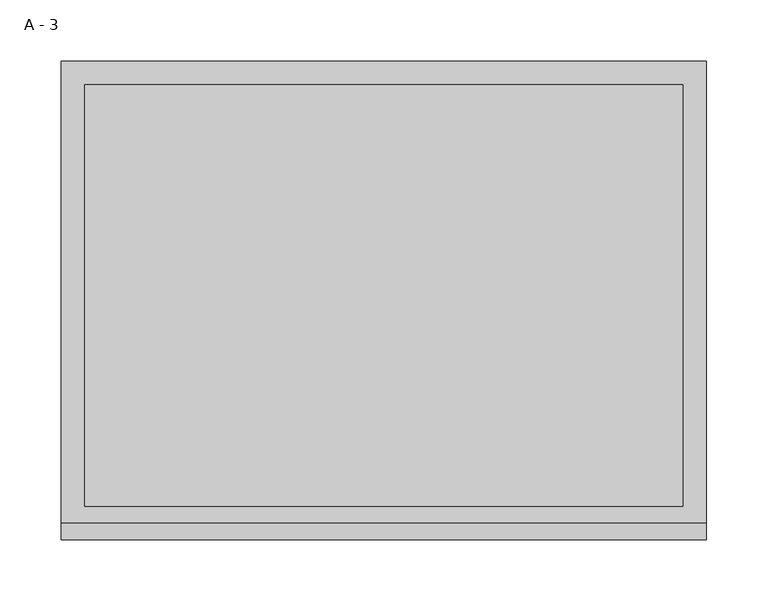
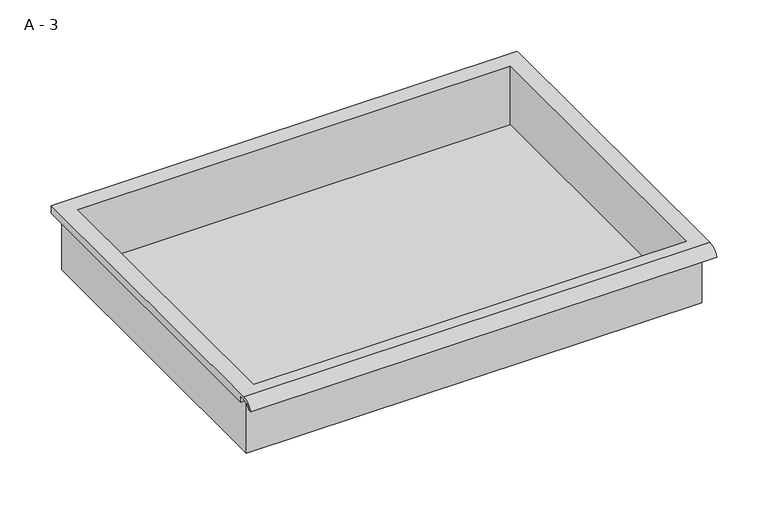
"""IFC4 building model written with IfcOpenShell, lengths in millimetres: furniture geometry, A - 3."""

import ifcopenshell
import ifcopenshell.guid

model = None  # the IFC model being written
_history = None  # IfcOwnerHistory: only IFC2X3 demands one
_inside = {}  # id of a spatial element -> (the spatial element, [elements in it])
_under = {}  # id of a project, library or spatial element -> (it, [spatial elements below it])
_declared = {}  # id of a project -> (the project, [libraries it declares])
_typed = {}  # id of a type object -> (the type object, [elements of that type])
_made_of = {}  # id of a material, layer set ... -> (it, [elements and type objects made of it])


def new_model(schema):
    """Start an empty IFC model of exactly this schema.

    Asked for "IFC4X3", IfcOpenShell would pick the latest addendum, in which some entities
    have other attributes; the version numbers below select the first issue.
    IFC2X3 requires an IfcOwnerHistory on every rooted entity: one is made here for all.
    """
    global model, _history
    if schema == "IFC4X3":
        model = ifcopenshell.file(schema_version=(4, 3, 0, 0))
    else:
        model = ifcopenshell.file(schema=schema)
    _inside.clear()
    _under.clear()
    _declared.clear()
    _typed.clear()
    _made_of.clear()
    _history = None
    if model.schema == "IFC2X3":
        org = make("IfcOrganization", Name="unknown")
        user = make(
            "IfcPersonAndOrganization",
            ThePerson=make("IfcPerson", FamilyName="unknown"),
            TheOrganization=org,
        )
        app = make(
            "IfcApplication",
            ApplicationDeveloper=org,
            Version="unknown",
            ApplicationFullName="unknown",
            ApplicationIdentifier="unknown",
        )
        _history = make(
            "IfcOwnerHistory",
            OwningUser=user,
            OwningApplication=app,
            ChangeAction="ADDED",
            CreationDate=0,
        )
    return model


def make(cls, **values):
    """One entity of the class cls with the attributes given. An attribute that is None is left unset."""
    return model.create_entity(
        cls, **{name: value for name, value in values.items() if value is not None}
    )


def rooted(cls, **values):
    """An entity with a GlobalId (a new one), such as an element, a storey or a relation."""
    return make(cls, GlobalId=ifcopenshell.guid.new(), OwnerHistory=_history, **values)


def si_unit(unit_type, name, prefix=None):
    """IfcSIUnit, for example si_unit("LENGTHUNIT", "METRE", prefix="MILLI")."""
    return make("IfcSIUnit", UnitType=unit_type, Prefix=prefix, Name=name)


def assignment(units):
    """IfcUnitAssignment: the units of a project."""
    return None if units is None else make("IfcUnitAssignment", Units=units)


def point(xyz):
    """IfcCartesianPoint."""
    return None if xyz is None else make("IfcCartesianPoint", Coordinates=xyz)


def direction(xyz):
    """IfcDirection."""
    return None if xyz is None else make("IfcDirection", DirectionRatios=xyz)


def frame(location, z_axis=None, x_axis=None):
    """IfcAxis2Placement3D, a coordinate frame: its origin and axes. An axis left out is left unset."""
    return make(
        "IfcAxis2Placement3D",
        Location=point(location),
        Axis=direction(z_axis),
        RefDirection=direction(x_axis),
    )


def origin():
    """The frame at (0, 0, 0) with its axes left unset."""
    return frame((0.0, 0.0, 0.0))


def place(relative_to, where):
    """IfcLocalPlacement: puts the frame where relative to a parent placement (None: the world)."""
    return make(
        "IfcLocalPlacement", PlacementRelTo=relative_to, RelativePlacement=where
    )


def context(
    kind, dimensions, precision=None, world=None, true_north=None, identifier=None
):
    """IfcGeometricRepresentationContext, for example the 3D "Model" context."""
    return make(
        "IfcGeometricRepresentationContext",
        ContextIdentifier=identifier,
        ContextType=kind,
        CoordinateSpaceDimension=dimensions,
        Precision=precision,
        WorldCoordinateSystem=world,
        TrueNorth=true_north,
    )


def project(units=None, contexts=None):
    """IfcProject with its units and contexts."""
    return rooted(
        "IfcProject",
        Name="project",
        RepresentationContexts=contexts,
        UnitsInContext=assignment(units),
    )


def spatial(cls, under=None, at=None, **own):
    """A site, building, storey or space (cls), placed at a placement, below another one or the project."""
    s = rooted(cls, ObjectPlacement=at, **own)
    if under is not None:
        _under.setdefault(under.id(), (under, []))[1].append(s)
    return s


def polyline(points):
    """IfcPolyline through the points."""
    return make("IfcPolyline", Points=[point(p) for p in points])


def circle_curve(where, radius):
    """IfcCircle in the frame where."""
    return make("IfcCircle", Position=where, Radius=radius)


def shape(context_of_items, identifier, shape_type, items):
    """IfcShapeRepresentation: the items that make up one representation, for example the "Body"."""
    return make(
        "IfcShapeRepresentation",
        ContextOfItems=context_of_items,
        RepresentationIdentifier=identifier,
        RepresentationType=shape_type,
        Items=items,
    )


def source(mapping_origin, context_of_items, identifier, shape_type, items):
    """IfcRepresentationMap: a shape defined once, which mapped items show again and again."""
    return make(
        "IfcRepresentationMap",
        MappingOrigin=mapping_origin,
        MappedRepresentation=shape(context_of_items, identifier, shape_type, items),
    )


def transform(
    local_origin,
    x_axis=None,
    y_axis=None,
    z_axis=None,
    scale=None,
    scale2=None,
    scale3=None,
    uniform=True,
):
    """IfcCartesianTransformationOperator3D, or its non-uniform kind. x_axis, y_axis, z_axis: its Axis1, 2, 3."""
    if uniform:
        return make(
            "IfcCartesianTransformationOperator3D",
            Axis1=direction(x_axis),
            Axis2=direction(y_axis),
            LocalOrigin=point(local_origin),
            Scale=scale,
            Axis3=direction(z_axis),
        )
    return make(
        "IfcCartesianTransformationOperator3DnonUniform",
        Axis1=direction(x_axis),
        Axis2=direction(y_axis),
        LocalOrigin=point(local_origin),
        Scale=scale,
        Axis3=direction(z_axis),
        Scale2=scale2,
        Scale3=scale3,
    )


def mapped(mapping_source, mapping_target):
    """IfcMappedItem: shows the shape of a source again, moved by a transform."""
    return make(
        "IfcMappedItem", MappingSource=mapping_source, MappingTarget=mapping_target
    )


def made_of(thing, what):
    """Note that an element or type object is made of a material, layer set ...; save() writes the relation."""
    if what is not None:
        _made_of.setdefault(what.id(), (what, []))[1].append(thing)
    return thing


def element(
    cls,
    number,
    at=None,
    inside=None,
    cuts=None,
    type_object=None,
    material=None,
    context=None,
    identifier="Body",
    shape_type=None,
    held_by="IfcProductDefinitionShape",
    body=None,
    shapes=None,
    **own,
):
    """One element of the class cls, such as IfcWall. Its Tag is "e" and its number.

    at: its placement. inside: the storey or other place that contains it. cuts: it is an
    opening in that element (IfcRelVoidsElement). A single representation is given by context,
    identifier, shape_type and body (its items); several are given by shapes. held_by: the class
    of the entity that holds the representations. save() writes the other relations.
    """
    e = rooted(cls, Tag="e%d" % number, ObjectPlacement=at, **own)
    if body is not None:
        shapes = [shape(context, identifier, shape_type, body)]
    if shapes is not None:
        e.Representation = make(held_by, Representations=shapes)
    if inside is not None:
        _inside.setdefault(inside.id(), (inside, []))[1].append(e)
    if cuts is not None:
        rooted(
            "IfcRelVoidsElement", RelatingBuildingElement=cuts, RelatedOpeningElement=e
        )
    if type_object is not None:
        _typed.setdefault(type_object.id(), (type_object, []))[1].append(e)
    return made_of(e, material)


def aggregate(whole, parts):
    """IfcRelAggregates: a whole, such as a stair, and the parts it consists of."""
    return rooted("IfcRelAggregates", RelatingObject=whole, RelatedObjects=parts)


def save(model, path):
    """Write the relations noted so far, then the file.

    IfcRelAggregates (storeys below a building ...), IfcRelContainedInSpatialStructure (elements
    in a storey), IfcRelDefinesByType, IfcRelAssociatesMaterial and IfcRelDeclares: one each for
    every whole, place, type object, material and project.
    """
    for whole, parts in _under.values():
        aggregate(whole, parts)
    for where, things in _inside.values():
        rooted(
            "IfcRelContainedInSpatialStructure",
            RelatedElements=things,
            RelatingStructure=where,
        )
    for kind, things in _typed.values():
        rooted("IfcRelDefinesByType", RelatedObjects=things, RelatingType=kind)
    for what, things in _made_of.values():
        rooted("IfcRelAssociatesMaterial", RelatedObjects=things, RelatingMaterial=what)
    for by, libraries in _declared.values():
        rooted("IfcRelDeclares", RelatingContext=by, RelatedDefinitions=libraries)
    model.write(path)


def plane_surface(at):
    """IfcPlane: the flat surface through the origin of the frame at, square to its z axis."""
    return make("IfcPlane", Position=at)


def cylinder_surface(at, radius):
    """IfcCylindricalSurface: all points at the distance radius from the z axis of the frame at."""
    return make("IfcCylindricalSurface", Position=at, Radius=radius)


def revolved_surface(curve, axis_point, axis_direction):
    """IfcSurfaceOfRevolution: the curve turned about the line through axis_point along axis_direction."""
    return make(
        "IfcSurfaceOfRevolution",
        SweptCurve=make("IfcArbitraryOpenProfileDef", ProfileType="CURVE", Curve=curve),
        AxisPosition=make("IfcAxis1Placement", Location=point(axis_point), Axis=direction(axis_direction)),
    )


def advanced_brep(points, edges, surfaces, faces):
    """IfcAdvancedBrep: a solid bounded by faces that lie on surfaces and meet in shared edges.

    An edge is (start, end): straight between two places in points (the first is 0);
    or (start, end, curve); or (start, end, curve, False) where it runs against its curve.
    A face is (place in surfaces, loops), or (place, loops, False) where it looks against
    its surface's normal. A loop lists edges by number (the first is 1), with a minus sign
    where the edge is run from its end to its start. The first loop is the outer one.
    """
    corners = [point(p) for p in points]
    vertices = [make("IfcVertexPoint", VertexGeometry=c) for c in corners]
    made = []
    for start, end, *more in edges:
        made.append(
            make(
                "IfcEdgeCurve",
                EdgeStart=vertices[start],
                EdgeEnd=vertices[end],
                EdgeGeometry=more[0] if more else make("IfcPolyline", Points=[corners[start], corners[end]]),
                SameSense=more[1] if len(more) > 1 else True,
            )
        )
    hull = []
    for where, loops, *sense in faces:
        bounds = []
        for j, loop in enumerate(loops):
            ring = [make("IfcOrientedEdge", EdgeElement=made[abs(k) - 1], Orientation=k > 0) for k in loop]
            bounds.append(
                make(
                    "IfcFaceOuterBound" if j == 0 else "IfcFaceBound",
                    Bound=make("IfcEdgeLoop", EdgeList=ring),
                    Orientation=True,
                )
            )
        hull.append(make("IfcAdvancedFace", Bounds=bounds, FaceSurface=surfaces[where], SameSense=sense[0] if sense else True))
    return make("IfcAdvancedBrep", Outer=make("IfcClosedShell", CfsFaces=hull))


def a_3_d444fc78(model_context):
    return source(origin(), model_context, "Body", "AdvancedBrep", [
        advanced_brep(
        [(-257.1076517, -176.2125, 738.1875), (257.2423483, -176.2125, 738.1875), (257.2423483, -176.2125, 801.6875), (263.5923483, -176.2125, 801.6875), (263.5923483, -176.2125, 807.9946341), (-263.4576517, -176.2125, 807.9946341), (-263.4576517, -176.2125, 801.6875), (-257.1076517, -176.2125, 801.6875), (257.2423483, 185.7375, 738.1875), (-257.1076517, 185.7375, 738.1875), (-257.1076517, 185.7375, 801.6875), (257.2423483, 185.7375, 801.6875), (263.5923483, -181.6070544, 811.2125), (263.5923483, 195.2625, 811.2125), (-263.4576517, 195.2625, 811.2125), (-263.4576517, -181.6070544, 811.2125), (244.5423483, -168.275, 811.2125), (-244.4076517, -168.275, 811.2125), (-244.4076517, 176.2125, 811.2125), (244.5423483, 176.2125, 811.2125), (263.5923483, -195.2625, 801.6875), (263.5923483, -191.8280601, 801.6875), (263.5923483, -180.4714815, 807.9946341), (263.5923483, 195.2625, 801.6875), (-263.4576517, 195.2625, 801.6875), (-263.4576517, -180.4714815, 807.9946341), (-263.4576517, -191.8280601, 801.6875), (-263.4576517, -195.2625, 801.6875), (-244.4076517, -168.275, 741.2136719), (244.5423483, -168.275, 741.2136719), (244.5423483, 176.2125, 741.2136719), (-244.4076517, 176.2125, 741.2136719)],
        [
            (0, 1),
            (1, 2),
            (2, 3),
            (3, 4),
            (4, 5),
            (5, 6),
            (6, 7),
            (7, 0),
            (8, 9),
            (9, 10),
            (10, 11),
            (11, 8),
            (0, 9),
            (8, 1),
            (11, 2),
            (12, 13),
            (13, 14),
            (14, 15),
            (15, 12),
            (16, 17),
            (17, 18),
            (18, 19),
            (19, 16),
            (7, 10),
            (12, 20, circle_curve(frame((263.5923483, -181.6070544, 796.6614859), z_axis=(1.0, 0.0, 0.0), x_axis=(0.0, 1.0, 0.0)), 14.5510141)),
            (20, 21),
            (21, 22, circle_curve(frame((263.5923483, -181.6070544, 796.6614859), z_axis=(-1.0, 0.0, 0.0), x_axis=(0.0, 1.0, 0.0)), 11.3898979)),
            (22, 4),
            (3, 23),
            (23, 13),
            (14, 24),
            (24, 6),
            (5, 25),
            (25, 26, circle_curve(frame((-263.4576517, -181.6070544, 796.6614859), z_axis=(1.0, 0.0, 0.0), x_axis=(0.0, 1.0, 0.0)), 11.3898979)),
            (26, 27),
            (27, 15, circle_curve(frame((-263.4576517, -181.6070544, 796.6614859), z_axis=(-1.0, 0.0, 0.0), x_axis=(0.0, 1.0, 0.0)), 14.5510141)),
            (27, 20),
            (26, 21),
            (25, 22),
            (24, 23),
            (28, 29),
            (29, 30),
            (30, 31),
            (31, 28),
            (28, 17),
            (16, 29),
            (19, 30),
            (18, 31),
        ],
        [
            plane_surface(frame((257.2423483, -176.2125, 738.1875), z_axis=(0.0, -1.0, 0.0), x_axis=(1.0, 0.0, 0.0))),
            plane_surface(frame((257.2423483, 185.7375, 738.1875), z_axis=(0.0, 1.0, 0.0), x_axis=(-1.0, 0.0, 0.0))),
            plane_surface(frame((-257.1076517, -176.2125, 738.1875), z_axis=(0.0, 0.0, -1.0), x_axis=(0.0, 1.0, 0.0))),
            plane_surface(frame((257.2423483, -176.2125, 738.1875), z_axis=(1.0, 0.0, 0.0), x_axis=(0.0, 1.0, 0.0))),
            plane_surface(frame((257.2423483, -176.2125, 811.2125), z_axis=(0.0, 0.0, 1.0), x_axis=(0.0, 1.0, 0.0))),
            plane_surface(frame((-257.1076517, -176.2125, 811.2125), z_axis=(-1.0, 0.0, 0.0), x_axis=(0.0, 1.0, 0.0))),
            plane_surface(frame((263.5923483, 195.2625, 811.2125), z_axis=(1.0, 0.0, 0.0), x_axis=(0.0, -1.0, 0.0))),
            plane_surface(frame((-263.4576517, 195.2625, 811.2125), z_axis=(-1.0, 0.0, 0.0), x_axis=(0.0, 1.0, 0.0))),
            cylinder_surface(frame((-263.4576517, -181.6070544, 796.6614859), z_axis=(1.0, 0.0, 0.0), x_axis=(0.0, 1.0, 0.0)), 14.5510141),
            plane_surface(frame((263.5923483, -195.2625, 801.6875), z_axis=(0.0, -7.291233251777216e-12, -1.0), x_axis=(-1.0, 0.0, 0.0))),
            revolved_surface(polyline([(-263.4576517, -170.21715650000002, 796.6614859), (263.59234829999997, -170.21715650000002, 796.6614859)]), (-263.4576517, -181.6070544, 796.6614859), (-1.0, 0.0, 0.0)),
            plane_surface(frame((263.5923483, -180.4714815, 807.9946341), z_axis=(0.0, -1.7988537739368317e-11, -1.0), x_axis=(-1.0, 0.0, 0.0))),
            plane_surface(frame((263.5923483, -176.2125, 801.6875), z_axis=(0.0, 0.0, -1.0), x_axis=(-1.0, 0.0, 0.0))),
            plane_surface(frame((263.5923483, 195.2625, 801.6875), z_axis=(0.0, 1.0, 0.0), x_axis=(-1.0, 0.0, 0.0))),
            plane_surface(frame((244.5423483, -168.275, 741.2136719), z_axis=(0.0, 0.0, 1.0), x_axis=(-1.0, 0.0, 0.0))),
            plane_surface(frame((-244.4076517, -168.275, 811.2125), z_axis=(0.0, 1.0, 0.0), x_axis=(0.0, 0.0, -1.0))),
            plane_surface(frame((244.5423483, -168.275, 811.2125), z_axis=(-1.0, 0.0, 0.0), x_axis=(0.0, 0.0, -1.0))),
            plane_surface(frame((244.5423483, 176.2125, 811.2125), z_axis=(0.0, -1.0, 0.0), x_axis=(0.0, 0.0, -1.0))),
            plane_surface(frame((-244.4076517, 176.2125, 811.2125), z_axis=(1.0, 0.0, 0.0), x_axis=(0.0, 0.0, -1.0))),
        ],
        [
            (0, [[1, 2, 3, 4, 5, 6, 7, 8]]),
            (1, [[9, 10, 11, 12]]),
            (2, [[-1, 13, -9, 14]]),
            (3, [[-14, -12, 15, -2]]),
            (4, [[16, 17, 18, 19], [20, 21, 22, 23]]),
            (5, [[-13, -8, 24, -10]]),
            (6, [[-16, 25, 26, 27, 28, -4, 29, 30]]),
            (7, [[31, 32, -6, 33, 34, 35, 36, -18]]),
            (8, [[-25, -19, -36, 37]]),
            (9, [[-26, -37, -35, 38]]),
            (10, [[-27, -38, -34, 39]]),
            (11, [[-28, -39, -33, -5]]),
            (12, [[-29, -3, -15, -11, -24, -7, -32, 40]]),
            (13, [[-30, -40, -31, -17]]),
            (14, [[41, 42, 43, 44]]),
            (15, [[-41, 45, -20, 46]]),
            (16, [[-42, -46, -23, 47]]),
            (17, [[-43, -47, -22, 48]]),
            (18, [[-44, -48, -21, -45]]),
        ],
    ),
    ])


if __name__ == "__main__":
    model = new_model("IFC4")
    model_context = context("Model", 3, world=origin())
    ifc_project = project(units=[si_unit("LENGTHUNIT", "METRE", prefix="MILLI")], contexts=[model_context])
    site = spatial("IfcSite", under=ifc_project)
    building = spatial("IfcBuilding", under=site)
    placement = place(None, origin())
    a_3_shape = a_3_d444fc78(model_context)
    element("IfcFurniture", 1, ObjectType="A - 3", at=placement, inside=building, context=model_context, shape_type="MappedRepresentation", body=[
        mapped(a_3_shape, transform((0.0, 0.0, 0.0), x_axis=(1.0, 0.0, 0.0), y_axis=(0.0, 1.0, 0.0), z_axis=(0.0, 0.0, 1.0))),
    ])
    save(model, "model.ifc")
